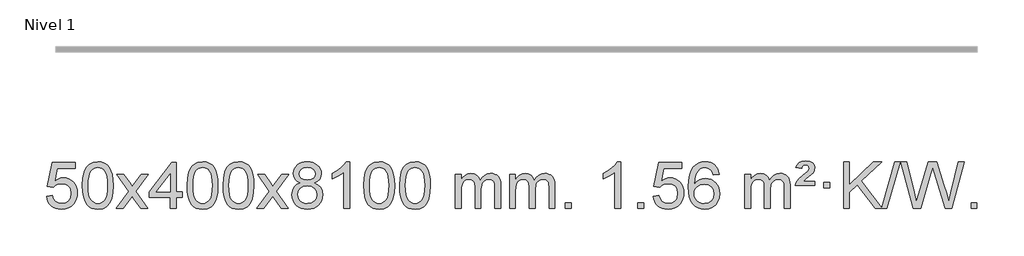
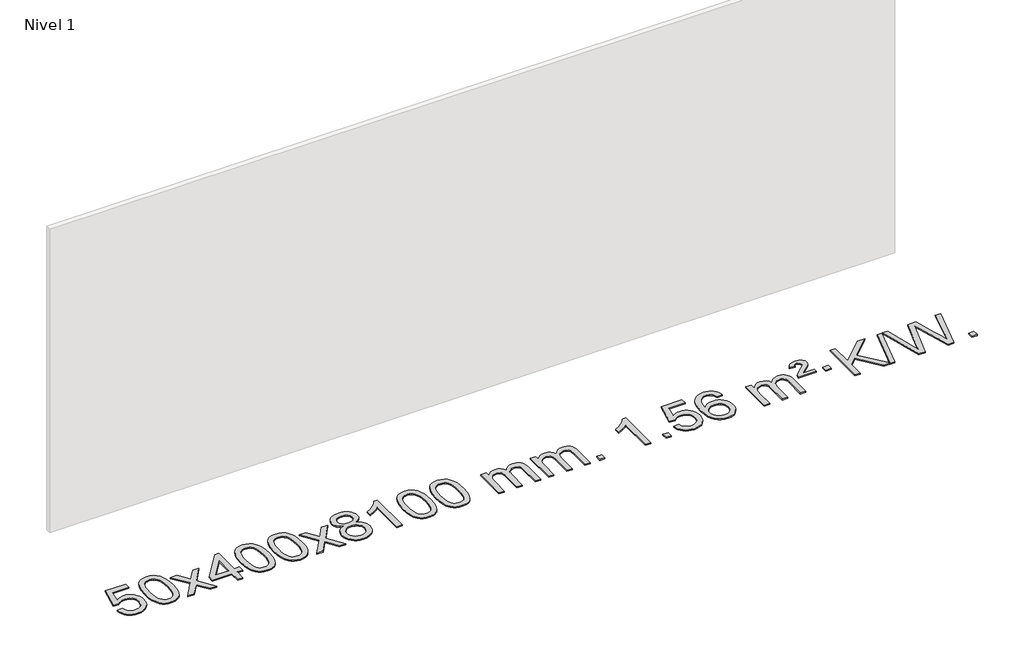
# One storey, part 2 of 10: 1 proxy.
"""IFC4 building model written with IfcOpenShell, lengths in millimetres."""

from ifc_helpers import new_model, si_unit, origin, origin_with_axes, place, context, project, spatial, polyline, outline, extrude, element, save

model = new_model("IFC4")

# Units and contexts
model_context = context("Model", 3, world=origin())
ifc_project = project(units=[si_unit("LENGTHUNIT", "METRE", prefix="MILLI")], contexts=[model_context])

# Site, building, storey
site = spatial("IfcSite", under=ifc_project)
building = spatial("IfcBuilding", under=site)
storey = spatial("IfcBuildingStorey", under=building, Name="Nivel 1", Elevation=0.0)

# Proxy
placement = place(None, origin())
element("IfcBuildingElementProxy", 1, Name="Texto de modelo 1", ObjectType="Texto de modelo 1", at=placement, inside=storey, context=model_context, shape_type="SweptSolid", body=[
    extrude(outline(polyline([(-13109.9934354, -284.8446235), (-13059.7652803, -278.5661041), (-13050.543705, -308.7201649), (-13034.454999, -330.3148381), (-13011.5727389, -343.3010725), (-12981.9705011, -347.6298173), (-12962.8406373, -346.1245668), (-12945.9671165, -341.6088153), (-12931.3499385, -334.0825628), (-12918.9891035, -323.5458094), (-12909.1605228, -310.519721), (-12902.1401081, -295.5254641), (-12896.5237763, -259.6324441), (-12901.7844888, -225.8363514), (-12908.3603795, -211.9181493), (-12917.5666264, -199.9865099), (-12929.4338865, -190.4154467), (-12943.9928164, -183.5789729), (-12981.1856861, -178.1097939), (-13005.5517369, -180.2925604), (-13025.2824746, -186.8408599), (-13041.0400868, -196.8717757), (-13053.4867609, -209.5023908), (-13103.714916, -203.2238715), (-13059.7652803, 3.9672682), (-12865.1311794, 3.9672682), (-12865.1311794, -46.2608869), (-13019.151108, -46.2608869), (-13040.6354166, -156.919791), (-13022.9096358, -144.2155994), (-13004.7546593, -135.1411769), (-12986.1704872, -129.6965234), (-12967.1571194, -127.8816388), (-12942.6960324, -130.1318504), (-12920.2276395, -136.882485), (-12899.7519408, -148.1335427), (-12881.2689362, -163.8850234), (-12865.9681109, -183.1743027), (-12855.03895, -205.038756), (-12848.4814534, -229.4783832), (-12846.2956212, -256.4931844), (-12848.2637899, -282.5147042), (-12854.1682959, -306.7213394), (-12864.0091393, -329.1130902), (-12877.78632, -349.6899565), (-12898.6574919, -370.7634634), (-12923.01128, -385.8159684), (-12950.8476843, -394.8474714), (-12982.1667048, -397.8579724), (-13008.087057, -395.9235262), (-13031.4996803, -390.1201877), (-13052.4045747, -380.447957), (-13070.8017402, -366.9068338), (-13086.1086968, -350.1712688), (-13097.7429649, -330.915712), (-13105.7045445, -309.1401636), (-13109.9934354, -284.8446235)])), origin_with_axes(), (0.0, 0.0, 1.0), 10.0),
    extrude(outline(polyline([(-12802.3459855, -193.9041943), (-12798.6549029, -129.5861588), (-12787.5816548, -78.2911459), (-12769.236606, -39.2343407), (-12757.378543, -24.0009605), (-12743.730121, -11.6309284), (-12728.2453547, -2.0598651), (-12710.8782588, 4.7766086), (-12670.4970785, 10.2457876), (-12639.5459399, 7.008426), (-12611.832163, -2.7036586), (-12588.6555973, -18.5103217), (-12571.3160926, -40.0314184), (-12558.2194935, -67.0830078), (-12547.7716449, -99.4811488), (-12540.9290398, -140.6226186), (-12538.6481714, -193.9041943), (-12542.3024659, -257.8543477), (-12553.2653493, -309.0267333), (-12571.5000336, -348.1203266), (-12583.3305054, -363.3996922), (-12596.9697304, -375.8341036), (-12612.4728908, -385.4695462), (-12629.8951689, -392.3520052), (-12670.4970785, -397.8579724), (-12698.1618045, -395.4667394), (-12722.6872709, -388.2930405), (-12744.0734775, -376.3368757), (-12762.3204245, -359.5982449), (-12779.8316074, -329.3399508), (-12792.3395953, -291.6381776), (-12799.844388, -246.4929255), (-12802.3459855, -193.9041943)]), holes=[polyline([(-12752.1178305, -193.8060924), (-12750.6463025, -237.4706195), (-12746.2317185, -272.8148822), (-12738.8740786, -299.8388804), (-12728.5733828, -318.5426142), (-12716.1144459, -331.2682656), (-12702.2820829, -340.3580165), (-12687.0762937, -345.8118671), (-12670.4970785, -347.6298173), (-12653.9178632, -345.8057357), (-12638.7120741, -340.3334911), (-12624.8797111, -331.2130833), (-12612.4207742, -318.4445124), (-12602.1200783, -299.7101217), (-12594.7624384, -272.6922549), (-12590.3478545, -237.3909118), (-12588.8763265, -193.8060924), (-12590.2988035, -151.2973278), (-12594.5662347, -116.5753989), (-12601.6786199, -89.6403055), (-12611.6359592, -70.4920476), (-12623.8864297, -57.1440625), (-12637.8782082, -47.6097875), (-12653.6112949, -41.8892225), (-12671.0856897, -39.9823675), (-12687.5790658, -41.6623619), (-12702.5273375, -46.7023452), (-12715.9305049, -55.1023175), (-12727.7885679, -66.8622786), (-12738.4326203, -87.708925), (-12746.0355148, -115.8151094), (-12750.5972516, -151.1808319), (-12752.1178305, -193.8060924)])]), origin_with_axes(), (0.0, 0.0, 1.0), 10.0),
    extrude(outline(polyline([(-12513.5340939, -391.579453), (-12406.2106531, -243.2494325), (-12507.2555745, -96.4890419), (-12446.8248254, -96.4890419), (-12398.0681983, -167.122385), (-12375.3085655, -200.4770192), (-12355.5900906, -173.2047007), (-12300.0644348, -96.4890419), (-12239.6336857, -96.4890419), (-12345.7799041, -243.2494325), (-12243.5577603, -391.579453), (-12303.9885094, -391.579453), (-12365.498379, -302.4048574), (-12376.7800935, -286.1199477), (-12453.1033448, -391.579453), (-12513.5340939, -391.579453)])), origin_with_axes(), (0.0, 0.0, 1.0), 10.0),
    extrude(outline(polyline([(-12048.9236594, -391.579453), (-12048.9236594, -297.4016622), (-12231.0007216, -297.4016622), (-12231.0007216, -247.1735072), (-12036.3666207, 3.9672682), (-11998.6955043, 3.9672682), (-11998.6955043, -247.1735072), (-11948.4673493, -247.1735072), (-11948.4673493, -297.4016622), (-11998.6955043, -297.4016622), (-11998.6955043, -391.579453), (-12048.9236594, -391.579453)]), holes=[polyline([(-12048.9236594, -247.1735072), (-12048.9236594, -91.9763561), (-12169.1965464, -247.1735072), (-12048.9236594, -247.1735072)])]), origin_with_axes(), (0.0, 0.0, 1.0), 10.0),
    extrude(outline(polyline([(-11904.5177136, -193.9041943), (-11900.8266309, -129.5861588), (-11889.7533828, -78.2911459), (-11871.408334, -39.2343407), (-11859.550271, -24.0009605), (-11845.901849, -11.6309284), (-11830.4170827, -2.0598651), (-11813.0499869, 4.7766086), (-11772.6688065, 10.2457876), (-11741.717668, 7.008426), (-11714.003891, -2.7036586), (-11690.8273253, -18.5103217), (-11673.4878206, -40.0314184), (-11660.3912216, -67.0830078), (-11649.9433729, -99.4811488), (-11643.1007678, -140.6226186), (-11640.8198994, -193.9041943), (-11644.4741939, -257.8543477), (-11655.4370774, -309.0267333), (-11673.6717616, -348.1203266), (-11685.5022334, -363.3996922), (-11699.1414584, -375.8341036), (-11714.6446188, -385.4695462), (-11732.066897, -392.3520052), (-11772.6688065, -397.8579724), (-11800.3335326, -395.4667394), (-11824.8589989, -388.2930405), (-11846.2452055, -376.3368757), (-11864.4921525, -359.5982449), (-11882.0033355, -329.3399508), (-11894.5113233, -291.6381776), (-11902.016116, -246.4929255), (-11904.5177136, -193.9041943)]), holes=[polyline([(-11854.2895585, -193.8060924), (-11852.8180305, -237.4706195), (-11848.4034466, -272.8148822), (-11841.0458067, -299.8388804), (-11830.7451108, -318.5426142), (-11818.2861739, -331.2682656), (-11804.4538109, -340.3580165), (-11789.2480218, -345.8118671), (-11772.6688065, -347.6298173), (-11756.0895913, -345.8057357), (-11740.8838021, -340.3334911), (-11727.0514391, -331.2130833), (-11714.5925022, -318.4445124), (-11704.2918063, -299.7101217), (-11696.9341664, -272.6922549), (-11692.5195825, -237.3909118), (-11691.0480545, -193.8060924), (-11692.4705316, -151.2973278), (-11696.7379627, -116.5753989), (-11703.8503479, -89.6403055), (-11713.8076873, -70.4920476), (-11726.0581577, -57.1440625), (-11740.0499363, -47.6097875), (-11755.7830229, -41.8892225), (-11773.2574177, -39.9823675), (-11789.7507938, -41.6623619), (-11804.6990656, -46.7023452), (-11818.1022329, -55.1023175), (-11829.9602959, -66.8622786), (-11840.6043483, -87.708925), (-11848.2072429, -115.8151094), (-11852.7689796, -151.1808319), (-11854.2895585, -193.8060924)])]), origin_with_axes(), (0.0, 0.0, 1.0), 10.0),
    extrude(outline(polyline([(-11596.8702638, -193.9041943), (-11593.1791811, -129.5861588), (-11582.105933, -78.2911459), (-11563.7608842, -39.2343407), (-11551.9028212, -24.0009605), (-11538.2543992, -11.6309284), (-11522.7696329, -2.0598651), (-11505.402537, 4.7766086), (-11465.0213567, 10.2457876), (-11434.0702182, 7.008426), (-11406.3564412, -2.7036586), (-11383.1798755, -18.5103217), (-11365.8403708, -40.0314184), (-11352.7437718, -67.0830078), (-11342.2959231, -99.4811488), (-11335.453318, -140.6226186), (-11333.1724496, -193.9041943), (-11336.8267441, -257.8543477), (-11347.7896275, -309.0267333), (-11366.0243118, -348.1203266), (-11377.8547836, -363.3996922), (-11391.4940086, -375.8341036), (-11406.997169, -385.4695462), (-11424.4194471, -392.3520052), (-11465.0213567, -397.8579724), (-11492.6860827, -395.4667394), (-11517.2115491, -388.2930405), (-11538.5977557, -376.3368757), (-11556.8447027, -359.5982449), (-11574.3558856, -329.3399508), (-11586.8638735, -291.6381776), (-11594.3686662, -246.4929255), (-11596.8702638, -193.9041943)]), holes=[polyline([(-11546.6421087, -193.8060924), (-11545.1705807, -237.4706195), (-11540.7559968, -272.8148822), (-11533.3983568, -299.8388804), (-11523.097661, -318.5426142), (-11510.6387241, -331.2682656), (-11496.8063611, -340.3580165), (-11481.6005719, -345.8118671), (-11465.0213567, -347.6298173), (-11448.4421414, -345.8057357), (-11433.2363523, -340.3334911), (-11419.4039893, -331.2130833), (-11406.9450524, -318.4445124), (-11396.6443565, -299.7101217), (-11389.2867166, -272.6922549), (-11384.8721327, -237.3909118), (-11383.4006047, -193.8060924), (-11384.8230817, -151.2973278), (-11389.0905129, -116.5753989), (-11396.2028981, -89.6403055), (-11406.1602375, -70.4920476), (-11418.4107079, -57.1440625), (-11432.4024864, -47.6097875), (-11448.1355731, -41.8892225), (-11465.6099679, -39.9823675), (-11482.103344, -41.6623619), (-11497.0516157, -46.7023452), (-11510.4547831, -55.1023175), (-11522.3128461, -66.8622786), (-11532.9568985, -87.708925), (-11540.559793, -115.8151094), (-11545.1215298, -151.1808319), (-11546.6421087, -193.8060924)])]), origin_with_axes(), (0.0, 0.0, 1.0), 10.0),
    extrude(outline(polyline([(-11308.0583721, -391.579453), (-11200.7349313, -243.2494325), (-11301.7798527, -96.4890419), (-11241.3491036, -96.4890419), (-11192.5924765, -167.122385), (-11169.8328437, -200.4770192), (-11150.1143688, -173.2047007), (-11094.588713, -96.4890419), (-11034.1579639, -96.4890419), (-11140.3041823, -243.2494325), (-11038.0820385, -391.579453), (-11098.5127876, -391.579453), (-11160.0226572, -302.4048574), (-11171.3043717, -286.1199477), (-11247.627623, -391.579453), (-11308.0583721, -391.579453)])), origin_with_axes(), (0.0, 0.0, 1.0), 10.0),
    extrude(outline(polyline([(-10933.50545, -170.2616447), (-10960.3976239, -157.0178929), (-10979.2699702, -139.0652515), (-10990.4167947, -116.7716026), (-10994.1324029, -90.5048281), (-10992.1090519, -70.0199324), (-10986.038999, -51.2395565), (-10975.9222441, -34.1637006), (-10961.7587873, -18.7923645), (-10944.2292102, -6.088173), (-10924.0140946, 2.9862496), (-10901.1134404, 8.4309031), (-10875.5272476, 10.2457876), (-10849.8184275, 8.3879835), (-10826.746095, 2.8145713), (-10806.3102502, -6.4744491), (-10788.510893, -19.4790776), (-10774.0899188, -35.1508506), (-10763.7892229, -52.4413044), (-10757.6088054, -71.3504389), (-10755.5486662, -91.8782543), (-10759.2152235, -117.2989001), (-10770.2148951, -139.2124043), (-10788.6703085, -157.0546811), (-10814.7040911, -170.2616447), (-10783.7897407, -186.1909351), (-10761.2876254, -209.6495436), (-10747.565627, -239.5092989), (-10742.9916275, -274.6420295), (-10745.2602331, -299.6947933), (-10752.06605, -322.6628926), (-10763.4090782, -343.5463272), (-10779.2893177, -362.3450971), (-10798.8729025, -377.88198), (-10821.325967, -388.9797536), (-10846.648511, -395.6384177), (-10874.8405346, -397.8579724), (-10903.0325581, -395.6292206), (-10928.3551021, -388.9429654), (-10950.8081666, -377.7992066), (-10970.3917514, -362.1979443), (-10986.2719909, -343.26735), (-10997.6150191, -322.135595), (-11004.420836, -298.8026795), (-11006.6894416, -273.2686033), (-11001.9315012, -236.7747094), (-10987.6576797, -206.7555386), (-10964.6037414, -184.2411605), (-10933.50545, -170.2616447)]), holes=[polyline([(-10943.9042478, -91.9763561), (-10939.4528756, -113.902123), (-10926.0987592, -131.413306), (-10904.234306, -142.8912243), (-10874.2519234, -146.717197), (-10844.9685165, -142.9157497), (-10823.4351571, -131.5114079), (-10810.1914053, -114.5888361), (-10805.7768213, -94.232699), (-10810.3385581, -73.1040098), (-10824.0237683, -55.629615), (-10845.8514333, -43.8941794), (-10874.8405346, -39.9823675), (-10904.0135768, -43.8083402), (-10925.8044536, -55.2862585), (-10939.3792992, -72.1107284), (-10943.9042478, -91.9763561)]), polyline([(-10956.4612865, -271.5027698), (-10954.3643592, -290.7184726), (-10948.0735771, -309.3210389), (-10936.4607687, -325.5446349), (-10918.3977628, -337.623427), (-10896.7663015, -345.1282197), (-10874.4481271, -347.6298173), (-10840.259627, -342.3691048), (-10826.3659503, -335.7932141), (-10814.6059892, -326.5869672), (-10798.5663342, -302.6869002), (-10793.2197826, -273.0723996), (-10798.7380125, -242.9551269), (-10815.2927023, -218.5277625), (-10827.3714944, -209.0854579), (-10841.5349513, -202.3409547), (-10876.1158588, -196.9453521), (-10909.8261123, -202.2673783), (-10923.5634391, -208.919911), (-10935.2222327, -218.2334569), (-10951.1515231, -242.1948375), (-10956.4612865, -271.5027698)])]), origin_with_axes(), (0.0, 0.0, 1.0), 10.0),
    extrude(outline(polyline([(-10510.6864103, -391.579453), (-10560.9145653, -391.579453), (-10560.9145653, -78.4382987), (-10581.8838391, -95.3976587), (-10608.49397, -112.3324932), (-10661.3708755, -137.6918254), (-10661.3708755, -90.2105225), (-10621.9216629, -68.7507395), (-10587.7454255, -43.219729), (-10560.8042007, -16.0700378), (-10543.0600258, 10.2457876), (-10510.6864103, 10.2457876), (-10510.6864103, -391.579453)])), origin_with_axes(), (0.0, 0.0, 1.0), 10.0),
    extrude(outline(polyline([(-10391.394542, -193.9041943), (-10387.7034593, -129.5861588), (-10376.6302112, -78.2911459), (-10358.2851624, -39.2343407), (-10346.4270994, -24.0009605), (-10332.7786774, -11.6309284), (-10317.2939111, -2.0598651), (-10299.9268152, 4.7766086), (-10259.5456349, 10.2457876), (-10228.5944964, 7.008426), (-10200.8807194, -2.7036586), (-10177.7041537, -18.5103217), (-10160.364649, -40.0314184), (-10147.26805, -67.0830078), (-10136.8202013, -99.4811488), (-10129.9775962, -140.6226186), (-10127.6967278, -193.9041943), (-10131.3510223, -257.8543477), (-10142.3139058, -309.0267333), (-10160.54859, -348.1203266), (-10172.3790618, -363.3996922), (-10186.0182868, -375.8341036), (-10201.5214472, -385.4695462), (-10218.9437253, -392.3520052), (-10259.5456349, -397.8579724), (-10287.2103609, -395.4667394), (-10311.7358273, -388.2930405), (-10333.1220339, -376.3368757), (-10351.3689809, -359.5982449), (-10368.8801639, -329.3399508), (-10381.3881517, -291.6381776), (-10388.8929444, -246.4929255), (-10391.394542, -193.9041943)]), holes=[polyline([(-10341.1663869, -193.8060924), (-10339.6948589, -237.4706195), (-10335.280275, -272.8148822), (-10327.9226351, -299.8388804), (-10317.6219392, -318.5426142), (-10305.1630023, -331.2682656), (-10291.3306393, -340.3580165), (-10276.1248501, -345.8118671), (-10259.5456349, -347.6298173), (-10242.9664196, -345.8057357), (-10227.7606305, -340.3334911), (-10213.9282675, -331.2130833), (-10201.4693306, -318.4445124), (-10191.1686347, -299.7101217), (-10183.8109948, -272.6922549), (-10179.3964109, -237.3909118), (-10177.9248829, -193.8060924), (-10179.3473599, -151.2973278), (-10183.6147911, -116.5753989), (-10190.7271763, -89.6403055), (-10200.6845157, -70.4920476), (-10212.9349861, -57.1440625), (-10226.9267646, -47.6097875), (-10242.6598513, -41.8892225), (-10260.1342461, -39.9823675), (-10276.6276222, -41.6623619), (-10291.5758939, -46.7023452), (-10304.9790613, -55.1023175), (-10316.8371243, -66.8622786), (-10327.4811767, -87.708925), (-10335.0840712, -115.8151094), (-10339.645808, -151.1808319), (-10341.1663869, -193.8060924)])]), origin_with_axes(), (0.0, 0.0, 1.0), 10.0),
    extrude(outline(polyline([(-10083.7470921, -193.9041943), (-10080.0560094, -129.5861588), (-10068.9827614, -78.2911459), (-10050.6377126, -39.2343407), (-10038.7796496, -24.0009605), (-10025.1312276, -11.6309284), (-10009.6464612, -2.0598651), (-9992.2793654, 4.7766086), (-9951.8981851, 10.2457876), (-9920.9470465, 7.008426), (-9893.2332696, -2.7036586), (-9870.0567039, -18.5103217), (-9852.7171992, -40.0314184), (-9839.6206001, -67.0830078), (-9829.1727515, -99.4811488), (-9822.3301463, -140.6226186), (-9820.049278, -193.9041943), (-9823.7035725, -257.8543477), (-9834.6664559, -309.0267333), (-9852.9011401, -348.1203266), (-9864.731612, -363.3996922), (-9878.3708369, -375.8341036), (-9893.8739974, -385.4695462), (-9911.2962755, -392.3520052), (-9951.8981851, -397.8579724), (-9979.5629111, -395.4667394), (-10004.0883774, -388.2930405), (-10025.4745841, -376.3368757), (-10043.721531, -359.5982449), (-10061.232714, -329.3399508), (-10073.7407019, -291.6381776), (-10081.2454946, -246.4929255), (-10083.7470921, -193.9041943)]), holes=[polyline([(-10033.518937, -193.8060924), (-10032.0474091, -237.4706195), (-10027.6328251, -272.8148822), (-10020.2751852, -299.8388804), (-10009.9744894, -318.5426142), (-9997.5155525, -331.2682656), (-9983.6831894, -340.3580165), (-9968.4774003, -345.8118671), (-9951.8981851, -347.6298173), (-9935.3189698, -345.8057357), (-9920.1131807, -340.3334911), (-9906.2808176, -331.2130833), (-9893.8218807, -318.4445124), (-9883.5211849, -299.7101217), (-9876.163545, -272.6922549), (-9871.748961, -237.3909118), (-9870.2774331, -193.8060924), (-9871.6999101, -151.2973278), (-9875.9673412, -116.5753989), (-9883.0797265, -89.6403055), (-9893.0370658, -70.4920476), (-9905.2875363, -57.1440625), (-9919.2793148, -47.6097875), (-9935.0124015, -41.8892225), (-9952.4867962, -39.9823675), (-9968.9801724, -41.6623619), (-9983.9284441, -46.7023452), (-9997.3316115, -55.1023175), (-10009.1896744, -66.8622786), (-10019.8337268, -87.708925), (-10027.4366214, -115.8151094), (-10031.9983581, -151.1808319), (-10033.518937, -193.8060924)])]), origin_with_axes(), (0.0, 0.0, 1.0), 10.0),
    extrude(outline(polyline([(-9606.5796189, -391.579453), (-9606.5796189, -96.4890419), (-9556.3514638, -96.4890419), (-9556.3514638, -145.0494653), (-9541.2437766, -122.7435537), (-9521.8196072, -105.2691589), (-9498.7411434, -93.9751816), (-9472.6705727, -90.2105225), (-9444.7360665, -94.048758), (-9422.3443157, -105.5634645), (-9405.6179477, -123.9943524), (-9394.6795897, -148.5811324), (-9376.3713291, -123.0439906), (-9355.4878945, -104.803175), (-9332.0292859, -93.8586857), (-9305.9955034, -90.2105225), (-9285.8876867, -91.7280358), (-9268.2385479, -96.2805755), (-9253.0480872, -103.8681416), (-9240.3163045, -114.4907342), (-9230.2516663, -128.2709806), (-9223.0626389, -145.3315082), (-9218.7492225, -165.6723168), (-9217.3114171, -189.2934066), (-9217.3114171, -391.579453), (-9267.5395722, -391.579453), (-9267.5395722, -210.875817), (-9268.7045318, -185.8230531), (-9272.1994108, -168.9372695), (-9278.7477103, -157.3735121), (-9289.0729316, -148.2868268), (-9302.3534716, -142.4007149), (-9317.7677272, -140.4386776), (-9344.9787321, -145.4663982), (-9367.1620165, -160.54956), (-9375.7673895, -172.1194488), (-9381.9140845, -186.7182326), (-9386.8314405, -225.0024856), (-9386.8314405, -391.579453), (-9437.0595955, -391.579453), (-9437.0595955, -205.2840106), (-9439.9658633, -176.8835206), (-9448.6846666, -156.6254854), (-9464.0253458, -144.4853796), (-9486.7972413, -140.4386776), (-9506.1478342, -143.1364789), (-9523.9778483, -151.2298828), (-9538.6931281, -164.5226856), (-9548.6995183, -182.8186835), (-9554.4384775, -208.2025411), (-9556.3514638, -242.7589232), (-9556.3514638, -391.579453), (-9606.5796189, -391.579453)])), origin_with_axes(), (0.0, 0.0, 1.0), 10.0),
    extrude(outline(polyline([(-9141.9691845, -391.579453), (-9141.9691845, -96.4890419), (-9091.7410294, -96.4890419), (-9091.7410294, -145.0494653), (-9076.6333421, -122.7435537), (-9057.2091728, -105.2691589), (-9034.130709, -93.9751816), (-9008.0601382, -90.2105225), (-8980.1256321, -94.048758), (-8957.7338813, -105.5634645), (-8941.0075132, -123.9943524), (-8930.0691552, -148.5811324), (-8911.7608946, -123.0439906), (-8890.87746, -104.803175), (-8867.4188515, -93.8586857), (-8841.3850689, -90.2105225), (-8821.2772522, -91.7280358), (-8803.6281135, -96.2805755), (-8788.4376528, -103.8681416), (-8775.7058701, -114.4907342), (-8765.6412318, -128.2709806), (-8758.4522045, -145.3315082), (-8754.1387881, -165.6723168), (-8752.7009826, -189.2934066), (-8752.7009826, -391.579453), (-8802.9291377, -391.579453), (-8802.9291377, -210.875817), (-8804.0940974, -185.8230531), (-8807.5889763, -168.9372695), (-8814.1372758, -157.3735121), (-8824.4624972, -148.2868268), (-8837.7430372, -142.4007149), (-8853.1572928, -140.4386776), (-8880.3682977, -145.4663982), (-8902.551582, -160.54956), (-8911.156955, -172.1194488), (-8917.30365, -186.7182326), (-8922.221006, -225.0024856), (-8922.221006, -391.579453), (-8972.4491611, -391.579453), (-8972.4491611, -205.2840106), (-8975.3554289, -176.8835206), (-8984.0742321, -156.6254854), (-8999.4149113, -144.4853796), (-9022.1868068, -140.4386776), (-9041.5373998, -143.1364789), (-9059.3674138, -151.2298828), (-9074.0826936, -164.5226856), (-9084.0890839, -182.8186835), (-9089.828043, -208.2025411), (-9091.7410294, -242.7589232), (-9091.7410294, -391.579453), (-9141.9691845, -391.579453)])), origin_with_axes(), (0.0, 0.0, 1.0), 10.0),
    extrude(outline(polyline([(-8664.8017113, -391.579453), (-8664.8017113, -341.3512979), (-8614.5735562, -341.3512979), (-8614.5735562, -391.579453), (-8664.8017113, -391.579453)])), origin_with_axes(), (0.0, 0.0, 1.0), 10.0),
    extrude(outline(polyline([(-8187.634238, -391.579453), (-8237.8623931, -391.579453), (-8237.8623931, -78.4382987), (-8258.8316668, -95.3976587), (-8285.4417978, -112.3324932), (-8338.3187033, -137.6918254), (-8338.3187033, -90.2105225), (-8298.8694907, -68.7507395), (-8264.6932533, -43.219729), (-8237.7520285, -16.0700378), (-8220.0078536, 10.2457876), (-8187.634238, 10.2457876), (-8187.634238, -391.579453)])), origin_with_axes(), (0.0, 0.0, 1.0), 10.0),
    extrude(outline(polyline([(-8043.2282922, -391.579453), (-8043.2282922, -341.3512979), (-7993.0001371, -341.3512979), (-7993.0001371, -391.579453), (-8043.2282922, -391.579453)])), origin_with_axes(), (0.0, 0.0, 1.0), 10.0),
    extrude(outline(polyline([(-7911.3793851, -284.8446235), (-7861.1512301, -278.5661041), (-7851.9296547, -308.7201649), (-7835.8409488, -330.3148381), (-7812.9586887, -343.3010725), (-7783.3564508, -347.6298173), (-7764.2265871, -346.1245668), (-7747.3530662, -341.6088153), (-7732.7358883, -334.0825628), (-7720.3750532, -323.5458094), (-7710.5464726, -310.519721), (-7703.5260579, -295.5254641), (-7697.9097261, -259.6324441), (-7703.1704386, -225.8363514), (-7709.7463293, -211.9181493), (-7718.9525762, -199.9865099), (-7730.8198362, -190.4154467), (-7745.3787662, -183.5789729), (-7782.5716359, -178.1097939), (-7806.9376867, -180.2925604), (-7826.6684244, -186.8408599), (-7842.4260365, -196.8717757), (-7854.8727107, -209.5023908), (-7905.1008658, -203.2238715), (-7861.1512301, 3.9672682), (-7666.5171291, 3.9672682), (-7666.5171291, -46.2608869), (-7820.5370578, -46.2608869), (-7842.0213663, -156.919791), (-7824.2955855, -144.2155994), (-7806.1406091, -135.1411769), (-7787.5564369, -129.6965234), (-7768.5430691, -127.8816388), (-7744.0819821, -130.1318504), (-7721.6135893, -136.882485), (-7701.1378906, -148.1335427), (-7682.654886, -163.8850234), (-7667.3540607, -183.1743027), (-7656.4248997, -205.038756), (-7649.8674032, -229.4783832), (-7647.681571, -256.4931844), (-7649.6497397, -282.5147042), (-7655.5542457, -306.7213394), (-7665.3950891, -329.1130902), (-7679.1722698, -349.6899565), (-7700.0434416, -370.7634634), (-7724.3972297, -385.8159684), (-7752.233634, -394.8474714), (-7783.5526545, -397.8579724), (-7809.4730068, -395.9235262), (-7832.8856301, -390.1201877), (-7853.7905245, -380.447957), (-7872.1876899, -366.9068338), (-7887.4946466, -350.1712688), (-7899.1289147, -330.915712), (-7907.0904942, -309.1401636), (-7911.3793851, -284.8446235)])), origin_with_axes(), (0.0, 0.0, 1.0), 10.0),
    extrude(outline(polyline([(-7346.3126405, -96.4890419), (-7396.5407956, -102.7675613), (-7404.6341995, -77.874213), (-7415.5725575, -60.8780648), (-7438.3567157, -45.2062918), (-7465.8988144, -39.9823675), (-7489.2470584, -43.0235253), (-7511.2218763, -52.1469988), (-7530.0942226, -71.3627017), (-7545.5084782, -97.8134171), (-7555.9195387, -135.227016), (-7559.7822996, -187.3313693), (-7539.634629, -163.8237098), (-7515.4893074, -147.2567573), (-7488.6952354, -137.434308), (-7460.6013137, -134.1601582), (-7436.4682548, -136.398107), (-7414.1991314, -143.1119534), (-7393.7939434, -154.3016975), (-7375.2526908, -169.9673391), (-7359.8445666, -189.1769106), (-7348.8387636, -210.9984443), (-7342.2352818, -235.4319401), (-7340.0341212, -262.4773982), (-7344.178925, -298.4439945), (-7356.6133364, -331.786366), (-7376.3072859, -360.0642287), (-7402.2307038, -380.8372987), (-7433.2063678, -393.602804), (-7468.0570555, -397.8579724), (-7497.9995842, -395.0375437), (-7525.0419765, -386.5762579), (-7549.1842325, -372.4741147), (-7570.426352, -352.7311143), (-7587.7443969, -326.5133908), (-7600.114429, -292.9870783), (-7607.5364483, -252.1521768), (-7610.0104547, -204.0086864), (-7607.2636025, -150.0342663), (-7599.0230458, -103.9693092), (-7585.2887846, -65.8138149), (-7566.060819, -35.5677835), (-7545.220304, -15.5243462), (-7521.0565883, -1.2076052), (-7493.5696718, 7.3824394), (-7462.7595548, 10.2457876), (-7439.6259086, 8.4738227), (-7418.6872917, 3.1579278), (-7399.9437041, -5.7018969), (-7383.3951457, -18.1056515), (-7369.4892062, -33.6364031), (-7358.6734756, -51.8772186), (-7350.9479537, -72.8280983), (-7346.3126405, -96.4890419)]), holes=[polyline([(-7559.7822996, -261.6925832), (-7556.8760319, -283.9494439), (-7548.1572286, -305.2007605), (-7534.6191711, -323.472233), (-7517.255141, -336.7895612), (-7496.29813, -344.9197533), (-7471.9811301, -347.6298173), (-7438.8349623, -342.0134855), (-7424.9198259, -334.9930708), (-7412.7766543, -325.1644901), (-7402.9266139, -312.9262824), (-7395.8908708, -298.6769865), (-7390.2622762, -264.1451299), (-7395.8172944, -230.9989621), (-7402.761067, -217.3781312), (-7412.4823487, -205.725469), (-7424.6623085, -196.3904634), (-7438.9821151, -189.7226022), (-7474.0412693, -184.3883133), (-7507.1383861, -189.7226022), (-7534.8153749, -205.725469), (-7545.7384044, -217.2248471), (-7553.5405684, -230.3858254), (-7558.2218668, -245.2084042), (-7559.7822996, -261.6925832)])]), origin_with_axes(), (0.0, 0.0, 1.0), 10.0),
    extrude(outline(polyline([(-7126.5644621, -391.579453), (-7126.5644621, -96.4890419), (-7076.336307, -96.4890419), (-7076.336307, -145.0494653), (-7061.2286197, -122.7435537), (-7041.8044504, -105.2691589), (-7018.7259866, -93.9751816), (-6992.6554158, -90.2105225), (-6964.7209097, -94.048758), (-6942.3291589, -105.5634645), (-6925.6027909, -123.9943524), (-6914.6644329, -148.5811324), (-6896.3561722, -123.0439906), (-6875.4727377, -104.803175), (-6852.0141291, -93.8586857), (-6825.9803466, -90.2105225), (-6805.8725298, -91.7280358), (-6788.2233911, -96.2805755), (-6773.0329304, -103.8681416), (-6760.3011477, -114.4907342), (-6750.2365094, -128.2709806), (-6743.0474821, -145.3315082), (-6738.7340657, -165.6723168), (-6737.2962603, -189.2934066), (-6737.2962603, -391.579453), (-6787.5244153, -391.579453), (-6787.5244153, -210.875817), (-6788.689375, -185.8230531), (-6792.1842539, -168.9372695), (-6798.7325535, -157.3735121), (-6809.0577748, -148.2868268), (-6822.3383148, -142.4007149), (-6837.7525704, -140.4386776), (-6864.9635753, -145.4663982), (-6887.1468596, -160.54956), (-6895.7522326, -172.1194488), (-6901.8989276, -186.7182326), (-6906.8162836, -225.0024856), (-6906.8162836, -391.579453), (-6957.0444387, -391.579453), (-6957.0444387, -205.2840106), (-6959.9507065, -176.8835206), (-6968.6695098, -156.6254854), (-6984.010189, -144.4853796), (-7006.7820845, -140.4386776), (-7026.1326774, -143.1364789), (-7043.9626914, -151.2298828), (-7058.6779713, -164.5226856), (-7068.6843615, -182.8186835), (-7074.4233206, -208.2025411), (-7076.336307, -242.7589232), (-7076.336307, -391.579453), (-7126.5644621, -391.579453)])), origin_with_axes(), (0.0, 0.0, 1.0), 10.0),
    extrude(outline(polyline([(-6693.3466246, -190.6668327), (-6689.5206518, -174.8479069), (-6681.1819933, -158.9799302), (-6659.6731593, -133.8413272), (-6627.7164766, -106.1030247), (-6583.5706372, -68.726214), (-6576.4337265, -57.1992448), (-6574.0547563, -45.3779701), (-6575.9432172, -33.2869152), (-6581.6085999, -23.5012541), (-6590.977328, -17.026531), (-6603.9758252, -14.8682899), (-6616.4102366, -16.4869707), (-6625.26393, -21.343013), (-6631.6896022, -30.8098431), (-6636.8399501, -46.2608869), (-6687.0681052, -39.9823675), (-6676.2278491, -14.7701881), (-6659.5995829, 2.7900458), (-6635.834406, 13.0907417), (-6603.5834178, 16.524307), (-6567.8007624, 12.3917659), (-6543.0545668, -0.0058573), (-6528.6335926, -18.3386434), (-6523.8266012, -40.2766731), (-6527.9223541, -63.1834586), (-6540.2096127, -84.8149199), (-6560.737428, -104.6314968), (-6597.2067965, -132.6886303), (-6622.8113834, -159.2742358), (-6523.8266012, -159.2742358), (-6523.8266012, -190.6668327), (-6693.3466246, -190.6668327)])), origin_with_axes(), (0.0, 0.0, 1.0), 10.0),
    extrude(outline(polyline([(-6448.4843686, -215.7809102), (-6448.4843686, -165.5527552), (-6398.2562135, -165.5527552), (-6398.2562135, -215.7809102), (-6448.4843686, -215.7809102)])), origin_with_axes(), (0.0, 0.0, 1.0), 10.0),
    extrude(outline(polyline([(-6007.6145856, -391.579453), (-6161.045903, -188.9009991), (-6228.7361901, -253.4520265), (-6228.7361901, -391.579453), (-6278.9643452, -391.579453), (-6278.9643452, 10.2457876), (-6228.7361901, 10.2457876), (-6228.7361901, -186.4484525), (-6022.7222728, 10.2457876), (-5952.4813372, 10.2457876), (-6125.4349259, -154.9577537), (-5950.781316, -385.5349332), (-5839.4679883, 10.2457876), (-5794.1449265, 10.2457876), (-5907.1582754, -391.579453), (-5946.2028178, -391.579453), (-5952.4813372, -391.579453), (-6007.6145856, -391.579453)])), origin_with_axes(), (0.0, 0.0, 1.0), 10.0),
    extrude(outline(polyline([(-5679.6600496, -391.579453), (-5789.2398332, 10.2457876), (-5737.4420483, 10.2457876), (-5673.8720395, -253.844434), (-5654.2516665, -335.3670841), (-5633.2578673, -263.2622131), (-5553.5991526, 10.2457876), (-5478.943633, 10.2457876), (-5421.0635325, -188.0180823), (-5396.268286, -261.5944814), (-5377.9968136, -335.3670841), (-5358.9650517, -256.1988788), (-5294.8064317, 10.2457876), (-5243.0086468, 10.2457876), (-5352.6865323, -391.579453), (-5406.3482526, -391.579453), (-5502.6842845, -81.5775584), (-5516.12424, -38.3146358), (-5531.2319273, -90.4067263), (-5619.0330968, -391.579453), (-5679.6600496, -391.579453)])), origin_with_axes(), (0.0, 0.0, 1.0), 10.0),
    extrude(outline(polyline([(-5186.5019723, -391.579453), (-5186.5019723, -341.3512979), (-5136.2738173, -341.3512979), (-5136.2738173, -391.579453), (-5186.5019723, -391.579453)])), origin_with_axes(), (0.0, 0.0, 1.0), 10.0),
])

save(model, "model.ifc")
